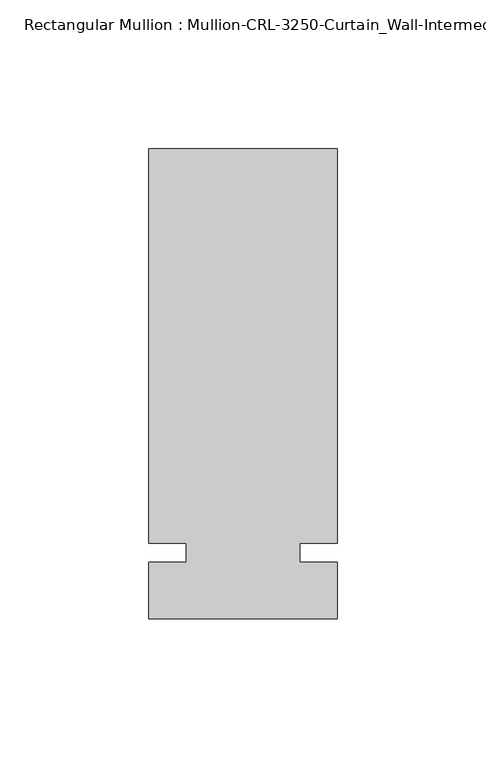
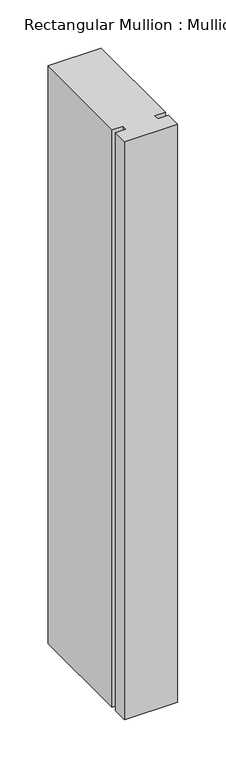
"""IFC4 building model written with IfcOpenShell, lengths in millimetres: member geometry."""

from ifc_helpers import new_model, si_unit, frame, origin, place, context, project, spatial, polyline, outline, extrude, source, transform, mapped, element, save


def member_27e6f6d0(model_context):
    return source(origin(), model_context, "Body", "SweptSolid", [
        extrude(outline(polyline([(31.7499985, -3.175), (31.7499985, -22.2254168), (-31.7499985, -22.2254168), (-31.7499985, -3.175), (-19.0499985, -3.175), (-19.0499985, 3.175), (-31.7499985, 3.175), (-31.7499985, 136.0175642), (31.7499985, 136.0175642), (31.7499985, 3.175), (19.0499985, 3.175), (19.0499985, -3.175), (31.7499985, -3.175)])), frame((0.0, 0.0, -730.0666715), z_axis=(0.0, 0.0, 1.0), x_axis=(1.0, 0.0, 0.0)), (0.0, 0.0, 1.0), 730.0666715),
    ])


if __name__ == "__main__":
    model = new_model("IFC4")
    model_context = context("Model", 3, world=origin())
    ifc_project = project(units=[si_unit("LENGTHUNIT", "METRE", prefix="MILLI")], contexts=[model_context])
    site = spatial("IfcSite", under=ifc_project)
    building = spatial("IfcBuilding", under=site)
    placement = place(None, origin())
    member_shape = member_27e6f6d0(model_context)
    element("IfcMember", 1, ObjectType="Rectangular Mullion : Mullion-CRL-3250-Curtain_Wall-Intermediate_Horizontal-5\"", at=placement, inside=building, context=model_context, shape_type="MappedRepresentation", body=[
        mapped(member_shape, transform((0.0, 0.0, 0.0), x_axis=(1.0, 0.0, 0.0), y_axis=(0.0, 1.0, 0.0), z_axis=(0.0, 0.0, 1.0))),
    ])
    save(model, "model.ifc")
